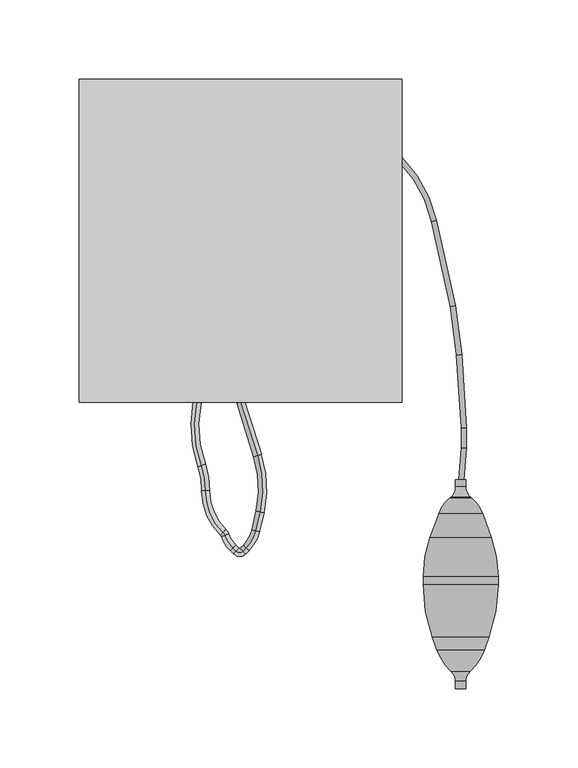
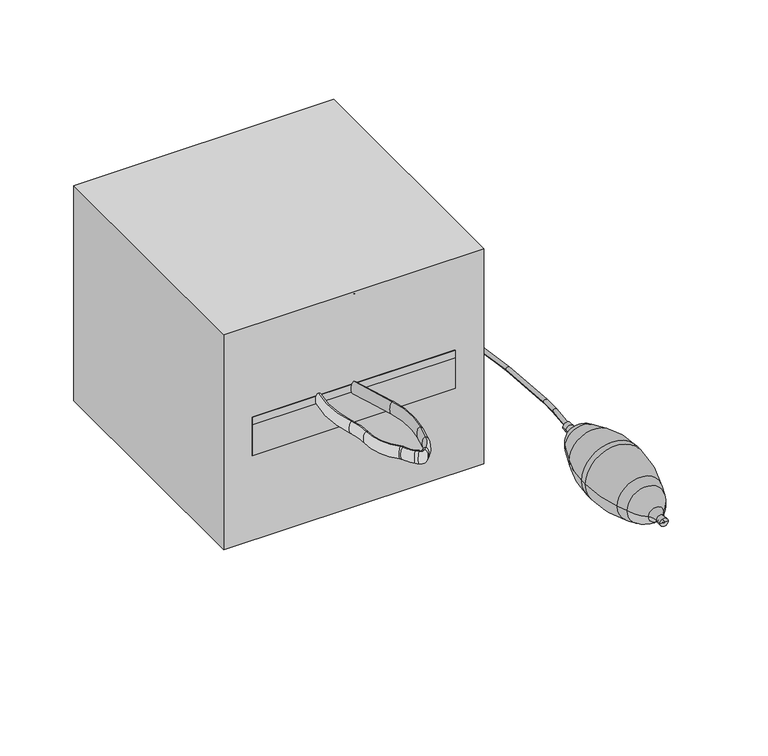
"""IFC4 building model written with IfcOpenShell, lengths in millimetres: proxy geometry."""

from ifc_helpers import new_model, si_unit, point, frame, frame_2d, origin, origin_with_axes, place, context, project, spatial, polyline, circle_curve, ellipse_curve, trimmed, segment, composite_curve, outline, extrude, source, transform, mapped, element, save
from ifc_brep_helpers import plane_surface, cylinder_surface, revolved_surface, extruded_surface, advanced_brep


def specialty_equipment_669b88e1(model_context):
    return source(origin(), model_context, "Body", "SolidModel", [
        advanced_brep(
        [(0.0, 0.0, 93.3890108), (0.0, 0.0, 103.4609892), (10.60129, -33.4899695, 93.3890108), (10.60129, -33.4899695, 103.4609892), (12.1452256, -68.8519095, 103.4609892), (12.1452256, -68.8519095, 93.3890108), (9.4902706, -80.7634297, 93.3890108), (9.4902706, -80.7634297, 103.4609892), (3.5257448, -91.6206606, 103.4609892), (3.5257448, -91.6206606, 93.3890108), (1.489236, -93.6571694, 93.3890108), (1.489236, -93.6571694, 103.4609892), (-2.7411458, -93.6571694, 103.4609892), (-2.7411458, -93.6571694, 93.3890108), (-4.6658712, -91.732444, 93.3890108), (-4.6658712, -91.732444, 103.4609892), (-9.7582734, -83.8141156, 103.4609892), (-9.7582734, -83.8141156, 93.3890108), (-10.9708227, -81.9675873, 103.4609892), (-10.9708227, -81.9675873, 93.3890108), (-21.9594666, -55.7504476, 103.4609892), (-21.9594666, -55.7504476, 93.3890108), (-24.5939327, -39.9510684, 103.4609892), (-24.5939327, -39.9510684, 93.3890108), (-27.3580457, -0.1117834, 93.3890108), (-27.3580457, -0.1117834, 103.4609892)],
        [
            (0, 1, ellipse_curve(frame((0.0, 0.0, 98.425), z_axis=(-0.30179165133573443, 0.9533739031377199, 0.0), x_axis=(0.0, 0.0, 1.0)), 5.0359892, 2.5179946)),
            (1, 0, ellipse_curve(frame((0.0, 0.0, 98.425), z_axis=(-0.30179165133573443, 0.9533739031377199, 0.0), x_axis=(0.0, 0.0, 1.0)), 5.0359892, 2.5179946)),
            (0, 2),
            (2, 3, ellipse_curve(frame((10.60129, -33.4899695, 98.425), z_axis=(-0.3017916513357344, 0.9533739031377201, 0.0), x_axis=(0.0, 0.0, 1.0)), 5.0359892, 2.5179946)),
            (3, 1),
            (3, 2, ellipse_curve(frame((10.60129, -33.4899695, 98.425), z_axis=(-0.3017916513357344, 0.9533739031377201, 0.0), x_axis=(0.0, 0.0, 1.0)), 5.0359892, 2.5179946)),
            (4, 3, circle_curve(frame((-54.3137244, -54.0388951, 103.4609892), z_axis=(0.0, 0.0, 1.0), x_axis=(0.9533739031377199, 0.3017916513357344, 0.0)), 68.0897748)),
            (2, 5, circle_curve(frame((-54.3137244, -54.0388951, 93.3890108), z_axis=(0.0, 0.0, -1.0), x_axis=(0.9533739031377199, 0.3017916513357344, 0.0)), 68.0897748)),
            (5, 4, ellipse_curve(frame((12.1452256, -68.8519095, 98.425), z_axis=(0.21755123234481044, 0.9760489031320381, 0.0), x_axis=(0.0, 0.0, 1.0)), 5.0359892, 2.5179946)),
            (4, 5, ellipse_curve(frame((12.1452256, -68.8519095, 98.425), z_axis=(0.21755123234481044, 0.9760489031320381, 0.0), x_axis=(0.0, 0.0, 1.0)), 5.0359892, 2.5179946)),
            (5, 6),
            (6, 7, ellipse_curve(frame((9.4902706, -80.7634297, 98.425), z_axis=(0.21755123234481058, 0.9760489031320381, 0.0), x_axis=(0.0, 0.0, 1.0)), 5.0359892, 2.5179946)),
            (7, 4),
            (7, 6, ellipse_curve(frame((9.4902706, -80.7634297, 98.425), z_axis=(0.21755123234481058, 0.9760489031320381, 0.0), x_axis=(0.0, 0.0, 1.0)), 5.0359892, 2.5179946)),
            (8, 7, circle_curve(frame((-12.1562786, -75.9386371, 103.4609892), z_axis=(0.0, 0.0, 1.0), x_axis=(0.9760489031320378, -0.21755123234481052, 0.0)), 22.1777302)),
            (6, 9, circle_curve(frame((-12.1562786, -75.9386371, 93.3890108), z_axis=(0.0, 0.0, -1.0), x_axis=(0.9760489031320378, -0.21755123234481052, 0.0)), 22.1777302)),
            (9, 8, ellipse_curve(frame((3.5257448, -91.6206606, 98.425), z_axis=(0.7071067811865477, 0.7071067811865474, 0.0), x_axis=(0.0, 0.0, 1.0)), 5.0359892, 2.5179946)),
            (8, 9, ellipse_curve(frame((3.5257448, -91.6206606, 98.425), z_axis=(0.7071067811865478, 0.7071067811865472, 0.0), x_axis=(0.0, 0.0, 1.0)), 5.0359892, 2.5179946)),
            (9, 10),
            (10, 11, ellipse_curve(frame((1.489236, -93.6571694, 98.425), z_axis=(0.7071067811865424, 0.7071067811865528, 0.0), x_axis=(0.0, 0.0, 1.0)), 5.0359892, 2.5179946)),
            (11, 8),
            (11, 10, ellipse_curve(frame((1.489236, -93.6571694, 98.425), z_axis=(0.7071067811865424, 0.7071067811865528, 0.0), x_axis=(0.0, 0.0, 1.0)), 5.0359892, 2.5179946)),
            (12, 11, circle_curve(frame((-0.6259549, -91.5419785, 103.4609892), z_axis=(0.0, 0.0, 1.0), x_axis=(0.7071067811865528, -0.7071067811865424, 0.0)), 2.9913317)),
            (10, 13, circle_curve(frame((-0.6259549, -91.5419785, 93.3890108), z_axis=(0.0, 0.0, -1.0), x_axis=(0.7071067811865528, -0.7071067811865424, 0.0)), 2.9913317)),
            (13, 12, ellipse_curve(frame((-2.7411458, -93.6571694, 98.425), z_axis=(0.707106781186544, -0.7071067811865511, 0.0), x_axis=(0.0, 0.0, 1.0)), 5.0359892, 2.5179946)),
            (12, 13, ellipse_curve(frame((-2.7411458, -93.6571694, 98.425), z_axis=(0.707106781186541, -0.7071067811865541, 0.0), x_axis=(0.0, 0.0, 1.0)), 5.0359892, 2.5179946)),
            (13, 14),
            (14, 15, ellipse_curve(frame((-4.6658712, -91.732444, 98.425), z_axis=(0.7071067811865435, -0.7071067811865516, 0.0), x_axis=(0.0, 0.0, 1.0)), 5.0359892, 2.5179946)),
            (15, 12),
            (15, 14, ellipse_curve(frame((-4.6658712, -91.732444, 98.425), z_axis=(0.7071067811865435, -0.7071067811865516, 0.0), x_axis=(0.0, 0.0, 1.0)), 5.0359892, 2.5179946)),
            (16, 15, circle_curve(frame((11.0161522, -76.0504205, 103.4609892), z_axis=(0.0, 0.0, 1.0), x_axis=(-0.7071067811865517, -0.7071067811865434, 0.0)), 22.1777302)),
            (14, 17, circle_curve(frame((11.0161522, -76.0504205, 93.3890108), z_axis=(0.0, 0.0, -1.0), x_axis=(-0.7071067811865517, -0.7071067811865434, 0.0)), 22.1777302)),
            (17, 16, ellipse_curve(frame((-9.7582734, -83.8141156, 98.425), z_axis=(0.35006716200403565, -0.9367246031179285, 0.0), x_axis=(0.0, 0.0, 1.0)), 5.0359892, 2.5179946)),
            (16, 17, ellipse_curve(frame((-9.7582734, -83.8141156, 98.425), z_axis=(0.3500671620040357, -0.9367246031179283, 0.0), x_axis=(0.0, 0.0, 1.0)), 5.0359892, 2.5179946)),
            (18, 16, circle_curve(frame((-14.4282922, -85.5593673, 103.4609892), z_axis=(0.0, 0.0, -1.0), x_axis=(0.9367246031179312, 0.3500671620040279, 0.0)), 4.9854768)),
            (17, 19, circle_curve(frame((-14.4282922, -85.5593673, 93.3890108), z_axis=(0.0, 0.0, 1.0), x_axis=(0.9367246031179312, 0.3500671620040279, 0.0)), 4.9854768)),
            (19, 18, ellipse_curve(frame((-10.9708227, -81.9675873, 98.425), z_axis=(0.7204486556395677, -0.6935082801143326, 0.0), x_axis=(0.0, 0.0, 1.0)), 5.0359892, 2.5179946)),
            (18, 19, ellipse_curve(frame((-10.9708227, -81.9675873, 98.425), z_axis=(0.7204486556395688, -0.6935082801143314, 0.0), x_axis=(0.0, 0.0, 1.0)), 5.0359892, 2.5179946)),
            (20, 18, circle_curve(frame((13.8981281, -56.1325645, 103.4609892), z_axis=(0.0, 0.0, 1.0), x_axis=(-0.6935082801143325, -0.7204486556395678, 0.0)), 35.8596307)),
            (19, 21, circle_curve(frame((13.8981281, -56.1325645, 93.3890108), z_axis=(0.0, 0.0, -1.0), x_axis=(-0.6935082801143325, -0.7204486556395678, 0.0)), 35.8596307)),
            (21, 20, ellipse_curve(frame((-21.9594666, -55.7504476, 98.425), z_axis=(-0.01065590823073842, -0.9999432241981433, 0.0), x_axis=(0.0, 0.0, 1.0)), 5.0359892, 2.5179946)),
            (20, 21, ellipse_curve(frame((-21.9594666, -55.7504476, 98.425), z_axis=(-0.010655908230738531, -0.9999432241981433, 0.0), x_axis=(0.0, 0.0, 1.0)), 5.0359892, 2.5179946)),
            (22, 20, circle_curve(frame((-67.7275968, -55.2627189, 103.4609892), z_axis=(0.0, 0.0, -1.0), x_axis=(0.9999432241981431, -0.010655908230754234, 0.0)), 45.7707289)),
            (21, 23, circle_curve(frame((-67.7275968, -55.2627189, 93.3890108), z_axis=(0.0, 0.0, 1.0), x_axis=(0.9999432241981431, -0.010655908230754234, 0.0)), 45.7707289)),
            (23, 22, ellipse_curve(frame((-24.5939327, -39.9510684, 98.425), z_axis=(0.33452931398523134, -0.9423853447950953, 0.0), x_axis=(0.0, 0.0, 1.0)), 5.0359892, 2.5179946)),
            (22, 23, ellipse_curve(frame((-24.5939327, -39.9510684, 98.425), z_axis=(0.33452931398523134, -0.9423853447950953, 0.0), x_axis=(0.0, 0.0, 1.0)), 5.0359892, 2.5179946)),
            (24, 25, ellipse_curve(frame((-27.3580457, -0.1117834, 98.425), z_axis=(0.20118211633304894, 0.9795538556239548, 0.0), x_axis=(0.0, 0.0, 1.0)), 5.0359892, 2.5179946)),
            (25, 24, ellipse_curve(frame((-27.3580457, -0.1117834, 98.425), z_axis=(0.20118211633304894, 0.9795538556239548, 0.0), x_axis=(0.0, 0.0, 1.0)), 5.0359892, 2.5179946)),
            (25, 22, circle_curve(frame((45.4884963, -15.0731063, 103.4609892), z_axis=(0.0, 0.0, 1.0), x_axis=(-0.9423853447950952, -0.33452931398523145, 0.0)), 74.3670617)),
            (23, 24, circle_curve(frame((45.4884963, -15.0731063, 93.3890108), z_axis=(0.0, 0.0, -1.0), x_axis=(-0.9423853447950952, -0.33452931398523145, 0.0)), 74.3670617)),
        ],
        [
            plane_surface(frame((0.0, 0.0, 98.425), z_axis=(-0.30179165133573443, 0.9533739031377199, 0.0), x_axis=(0.0, 0.0, 1.0))),
            extruded_surface(trimmed(ellipse_curve(frame((10.60129, -33.4899695, 98.425), z_axis=(-0.30179165133573443, 0.9533739031377199, 0.0), x_axis=(0.0, 0.0, 1.0)), 5.0359892, 2.5179946), [point((10.60129, -33.4899695, 93.3890108))], [point((10.60129, -33.4899695, 103.4609892))], True, "CARTESIAN"), (-10.60129, 33.4899695, 0.0), 35.1278437535672),
            extruded_surface(trimmed(ellipse_curve(frame((10.60129, -33.4899695, 98.425), z_axis=(-0.30179165133573443, 0.9533739031377199, 0.0), x_axis=(0.0, 0.0, 1.0)), 5.0359892, 2.5179946), [point((10.60129, -33.4899695, 103.4609892))], [point((10.60129, -33.4899695, 93.3890108))], True, "CARTESIAN"), (-10.60129, 33.4899695, 0.0), 35.1278437535672),
            revolved_surface(trimmed(ellipse_curve(frame((10.60129, -33.4899695, 98.425), z_axis=(-0.3017916513357343, 0.9533739031377199, 0.0), x_axis=(0.0, 0.0, 1.0)), 5.0359892, 2.5179946), [point((10.60129, -33.4899695, 93.3890108))], [point((10.60129, -33.4899695, 103.4609892))], True, "CARTESIAN"), (-54.3137244, -54.0388951, 98.425), (0.0, 0.0, -1.0)),
            revolved_surface(trimmed(ellipse_curve(frame((10.60129, -33.4899695, 98.425), z_axis=(-0.3017916513357343, 0.9533739031377199, 0.0), x_axis=(0.0, 0.0, 1.0)), 5.0359892, 2.5179946), [point((10.60129, -33.4899695, 103.4609892))], [point((10.60129, -33.4899695, 93.3890108))], True, "CARTESIAN"), (-54.3137244, -54.0388951, 98.425), (0.0, 0.0, -1.0)),
            extruded_surface(trimmed(ellipse_curve(frame((9.4902706, -80.7634297, 98.425), z_axis=(0.2175512323448103, 0.976048903132038, 0.0), x_axis=(0.0, 0.0, 1.0)), 5.0359892, 2.5179946), [point((9.4902706, -80.7634297, 93.3890108))], [point((9.4902706, -80.7634297, 103.4609892))], True, "CARTESIAN"), (2.6549549999999993, 11.911520199999998, 0.0), 12.203814957915126),
            extruded_surface(trimmed(ellipse_curve(frame((9.4902706, -80.7634297, 98.425), z_axis=(0.2175512323448103, 0.976048903132038, 0.0), x_axis=(0.0, 0.0, 1.0)), 5.0359892, 2.5179946), [point((9.4902706, -80.7634297, 103.4609892))], [point((9.4902706, -80.7634297, 93.3890108))], True, "CARTESIAN"), (2.6549549999999993, 11.911520199999998, 0.0), 12.203814957915126),
            revolved_surface(trimmed(ellipse_curve(frame((9.4902706, -80.7634297, 98.425), z_axis=(0.21755123234481052, 0.9760489031320378, 0.0), x_axis=(0.0, 0.0, 1.0)), 5.0359892, 2.5179946), [point((9.4902706, -80.7634297, 93.3890108))], [point((9.4902706, -80.7634297, 103.4609892))], True, "CARTESIAN"), (-12.1562786, -75.9386371, 98.425), (0.0, 0.0, -1.0)),
            revolved_surface(trimmed(ellipse_curve(frame((9.4902706, -80.7634297, 98.425), z_axis=(0.21755123234481052, 0.9760489031320378, 0.0), x_axis=(0.0, 0.0, 1.0)), 5.0359892, 2.5179946), [point((9.4902706, -80.7634297, 103.4609892))], [point((9.4902706, -80.7634297, 93.3890108))], True, "CARTESIAN"), (-12.1562786, -75.9386371, 98.425), (0.0, 0.0, -1.0)),
            extruded_surface(trimmed(ellipse_curve(frame((1.489236, -93.6571694, 98.425), z_axis=(0.707106781186548, 0.7071067811865471, 0.0), x_axis=(0.0, 0.0, 1.0)), 5.0359892, 2.5179946), [point((1.489236, -93.6571694, 93.3890108))], [point((1.489236, -93.6571694, 103.4609892))], True, "CARTESIAN"), (2.0365088, 2.036508800000007, 0.0), 2.8800583648521623),
            extruded_surface(trimmed(ellipse_curve(frame((1.489236, -93.6571694, 98.425), z_axis=(0.707106781186548, 0.7071067811865471, 0.0), x_axis=(0.0, 0.0, 1.0)), 5.0359892, 2.5179946), [point((1.489236, -93.6571694, 103.4609892))], [point((1.489236, -93.6571694, 93.3890108))], True, "CARTESIAN"), (2.0365088, 2.036508800000007, 0.0), 2.8800583648521623),
            revolved_surface(trimmed(ellipse_curve(frame((1.489236, -93.6571694, 98.425), z_axis=(0.7071067811865424, 0.7071067811865528, 0.0), x_axis=(0.0, 0.0, 1.0)), 5.0359892, 2.5179946), [point((1.489236, -93.6571694, 93.3890108))], [point((1.489236, -93.6571694, 103.4609892))], True, "CARTESIAN"), (-0.6259549, -91.5419785, 98.425), (0.0, 0.0, -1.0)),
            revolved_surface(trimmed(ellipse_curve(frame((1.489236, -93.6571694, 98.425), z_axis=(0.7071067811865424, 0.7071067811865528, 0.0), x_axis=(0.0, 0.0, 1.0)), 5.0359892, 2.5179946), [point((1.489236, -93.6571694, 103.4609892))], [point((1.489236, -93.6571694, 93.3890108))], True, "CARTESIAN"), (-0.6259549, -91.5419785, 98.425), (0.0, 0.0, -1.0)),
            extruded_surface(trimmed(ellipse_curve(frame((-4.6658712, -91.732444, 98.425), z_axis=(0.7071067811865421, -0.7071067811865531, 0.0), x_axis=(0.0, 0.0, 1.0)), 5.0359892, 2.5179946), [point((-4.6658712, -91.732444, 93.3890108))], [point((-4.6658712, -91.732444, 103.4609892))], True, "CARTESIAN"), (1.9247253999999998, -1.9247253999999998, 0.0), 2.72197276452398),
            extruded_surface(trimmed(ellipse_curve(frame((-4.6658712, -91.732444, 98.425), z_axis=(0.7071067811865421, -0.7071067811865531, 0.0), x_axis=(0.0, 0.0, 1.0)), 5.0359892, 2.5179946), [point((-4.6658712, -91.732444, 103.4609892))], [point((-4.6658712, -91.732444, 93.3890108))], True, "CARTESIAN"), (1.9247253999999998, -1.9247253999999998, 0.0), 2.72197276452398),
            revolved_surface(trimmed(ellipse_curve(frame((-4.6658712, -91.732444, 98.425), z_axis=(0.7071067811865435, -0.7071067811865516, 0.0), x_axis=(0.0, 0.0, 1.0)), 5.0359892, 2.5179946), [point((-4.6658712, -91.732444, 93.3890108))], [point((-4.6658712, -91.732444, 103.4609892))], True, "CARTESIAN"), (11.0161522, -76.0504205, 98.425), (0.0, 0.0, -1.0)),
            revolved_surface(trimmed(ellipse_curve(frame((-4.6658712, -91.732444, 98.425), z_axis=(0.7071067811865435, -0.7071067811865516, 0.0), x_axis=(0.0, 0.0, 1.0)), 5.0359892, 2.5179946), [point((-4.6658712, -91.732444, 103.4609892))], [point((-4.6658712, -91.732444, 93.3890108))], True, "CARTESIAN"), (11.0161522, -76.0504205, 98.425), (0.0, 0.0, -1.0)),
            revolved_surface(trimmed(ellipse_curve(frame((-9.7582734, -83.8141156, 98.425), z_axis=(0.3500671620040282, -0.936724603117931, 0.0), x_axis=(0.0, 0.0, 1.0)), 5.0359892, 2.5179946), [point((-9.7582734, -83.8141156, 93.3890108))], [point((-9.7582734, -83.8141156, 103.4609892))], True, "CARTESIAN"), (-14.4282922, -85.5593673, 98.425), (0.0, 0.0, 1.0)),
            revolved_surface(trimmed(ellipse_curve(frame((-9.7582734, -83.8141156, 98.425), z_axis=(0.3500671620040282, -0.936724603117931, 0.0), x_axis=(0.0, 0.0, 1.0)), 5.0359892, 2.5179946), [point((-9.7582734, -83.8141156, 103.4609892))], [point((-9.7582734, -83.8141156, 93.3890108))], True, "CARTESIAN"), (-14.4282922, -85.5593673, 98.425), (0.0, 0.0, 1.0)),
            revolved_surface(trimmed(ellipse_curve(frame((-10.9708227, -81.9675873, 98.425), z_axis=(0.720448655639568, -0.6935082801143324, 0.0), x_axis=(0.0, 0.0, 1.0)), 5.0359892, 2.5179946), [point((-10.9708227, -81.9675873, 93.3890108))], [point((-10.9708227, -81.9675873, 103.4609892))], True, "CARTESIAN"), (13.8981281, -56.1325645, 98.425), (0.0, 0.0, -1.0)),
            revolved_surface(trimmed(ellipse_curve(frame((-10.9708227, -81.9675873, 98.425), z_axis=(0.720448655639568, -0.6935082801143324, 0.0), x_axis=(0.0, 0.0, 1.0)), 5.0359892, 2.5179946), [point((-10.9708227, -81.9675873, 103.4609892))], [point((-10.9708227, -81.9675873, 93.3890108))], True, "CARTESIAN"), (13.8981281, -56.1325645, 98.425), (0.0, 0.0, -1.0)),
            revolved_surface(trimmed(ellipse_curve(frame((-21.9594666, -55.7504476, 98.425), z_axis=(-0.010655908230754184, -0.9999432241981431, 0.0), x_axis=(0.0, 0.0, 1.0)), 5.0359892, 2.5179946), [point((-21.9594666, -55.7504476, 93.3890108))], [point((-21.9594666, -55.7504476, 103.4609892))], True, "CARTESIAN"), (-67.7275968, -55.2627189, 98.425), (0.0, 0.0, 1.0)),
            revolved_surface(trimmed(ellipse_curve(frame((-21.9594666, -55.7504476, 98.425), z_axis=(-0.010655908230754184, -0.9999432241981431, 0.0), x_axis=(0.0, 0.0, 1.0)), 5.0359892, 2.5179946), [point((-21.9594666, -55.7504476, 103.4609892))], [point((-21.9594666, -55.7504476, 93.3890108))], True, "CARTESIAN"), (-67.7275968, -55.2627189, 98.425), (0.0, 0.0, 1.0)),
            plane_surface(frame((-27.3580457, -0.1117834, 98.425), z_axis=(0.20118211633304883, 0.9795538556239548, 0.0), x_axis=(0.0, 0.0, 1.0))),
            revolved_surface(trimmed(ellipse_curve(frame((-24.5939327, -39.9510684, 98.425), z_axis=(0.3345293139852317, -0.9423853447950951, 0.0), x_axis=(0.0, 0.0, 1.0)), 5.0359892, 2.5179946), [point((-24.5939327, -39.9510684, 93.3890108))], [point((-24.5939327, -39.9510684, 103.4609892))], True, "CARTESIAN"), (45.4884963, -15.0731063, 98.425), (0.0, 0.0, -1.0)),
            revolved_surface(trimmed(ellipse_curve(frame((-24.5939327, -39.9510684, 98.425), z_axis=(0.3345293139852317, -0.9423853447950951, 0.0), x_axis=(0.0, 0.0, 1.0)), 5.0359892, 2.5179946), [point((-24.5939327, -39.9510684, 103.4609892))], [point((-24.5939327, -39.9510684, 93.3890108))], True, "CARTESIAN"), (45.4884963, -15.0731063, 98.425), (0.0, 0.0, -1.0)),
        ],
        [
            (0, [[1, 2]]),
            (1, [[-1, 3, 4, 5]]),
            (2, [[-2, -5, 6, -3]]),
            (3, [[7, -4, 8, 9]]),
            (4, [[-8, -6, -7, 10]]),
            (5, [[-9, 11, 12, 13]]),
            (6, [[-10, -13, 14, -11]]),
            (7, [[15, -12, 16, 17]]),
            (8, [[-16, -14, -15, 18]]),
            (9, [[-17, 19, 20, 21]]),
            (10, [[-18, -21, 22, -19]]),
            (11, [[23, -20, 24, 25]]),
            (12, [[-24, -22, -23, 26]]),
            (13, [[-25, 27, 28, 29]]),
            (14, [[-26, -29, 30, -27]]),
            (15, [[31, -28, 32, 33]]),
            (16, [[-32, -30, -31, 34]]),
            (17, [[35, -33, 36, 37]]),
            (18, [[-36, -34, -35, 38]]),
            (19, [[39, -37, 40, 41]]),
            (20, [[-40, -38, -39, 42]]),
            (21, [[43, -41, 44, 45]]),
            (22, [[-44, -42, -43, 46]]),
            (23, [[47, 48]]),
            (24, [[49, -45, 50, -48]]),
            (25, [[-50, -46, -49, -47]]),
        ],
    ),
        advanced_brep(
        [(138.1282079, -48.8005767, 47.6946196), (139.110677, -48.8005767, 47.6946196), (141.8571136, -48.8005767, 47.6946196), (135.3817713, -48.8005767, 47.6946196), (138.1282079, -180.1855223, 47.6946196), (139.110677, -180.1855223, 47.6946196), (135.3817713, -180.1855223, 47.6946196), (141.8571136, -180.1855223, 47.6946196), (135.3817713, -175.5632852, 47.6946196), (141.8571136, -175.5632852, 47.6946196), (132.7169258, -169.4696535, 47.6946196), (144.5219592, -169.4696535, 47.6946196), (123.7575473, -155.9951928, 47.6946196), (153.4813376, -155.9951928, 47.6946196), (120.8482177, -148.0018755, 47.6946196), (156.3906672, -148.0018755, 47.6946196), (114.9866942, -114.7595239, 47.6946196), (162.2521907, -114.7595239, 47.6946196), (114.9866942, -109.7483973, 47.6946196), (162.2521907, -109.7483973, 47.6946196), (119.3165907, -85.1923341, 47.6946196), (157.9222942, -85.1923341, 47.6946196), (124.8056359, -70.1113063, 47.6946196), (152.433249, -70.1113063, 47.6946196), (131.6106524, -60.3927356, 47.6946196), (145.6282325, -60.3927356, 47.6946196), (132.2844617, -59.8273424, 47.6946196), (144.9544232, -59.8273424, 47.6946196), (135.3817713, -53.1851407, 47.6946196), (141.8571136, -53.1851407, 47.6946196)],
        [
            (0, 1, circle_curve(frame((138.6194425, -48.8005767, 47.6946196), z_axis=(0.0, -1.0, 0.0), x_axis=(1.0, 0.0, 0.0)), 0.4912345)),
            (1, 2),
            (2, 3, circle_curve(frame((138.6194425, -48.8005767, 47.6946196), z_axis=(0.0, 1.0, 0.0), x_axis=(1.0, 0.0, 0.0)), 3.2376712)),
            (3, 0),
            (1, 0, circle_curve(frame((138.6194425, -48.8005767, 47.6946196), z_axis=(0.0, -1.0, 0.0), x_axis=(1.0, 0.0, 0.0)), 0.4912345)),
            (3, 2, circle_curve(frame((138.6194425, -48.8005767, 47.6946196), z_axis=(0.0, 1.0, 0.0), x_axis=(1.0, 0.0, 0.0)), 3.2376712)),
            (4, 5, circle_curve(frame((138.6194425, -180.1855223, 47.6946196), z_axis=(0.0, -1.0, 0.0), x_axis=(1.0, 0.0, 0.0)), 0.4912345)),
            (5, 1),
            (0, 4),
            (5, 4, circle_curve(frame((138.6194425, -180.1855223, 47.6946196), z_axis=(0.0, -1.0, 0.0), x_axis=(1.0, 0.0, 0.0)), 0.4912345)),
            (6, 7, circle_curve(frame((138.6194425, -180.1855223, 47.6946196), z_axis=(0.0, -1.0, 0.0), x_axis=(1.0, 0.0, 0.0)), 3.2376712)),
            (7, 5),
            (4, 6),
            (7, 6, circle_curve(frame((138.6194425, -180.1855223, 47.6946196), z_axis=(0.0, -1.0, 0.0), x_axis=(1.0, 0.0, 0.0)), 3.2376712)),
            (8, 9, circle_curve(frame((138.6194425, -175.5632852, 47.6946196), z_axis=(0.0, -1.0, 0.0), x_axis=(1.0, 0.0, 0.0)), 3.2376712)),
            (9, 7),
            (6, 8),
            (9, 8, circle_curve(frame((138.6194425, -175.5632852, 47.6946196), z_axis=(0.0, -1.0, 0.0), x_axis=(1.0, 0.0, 0.0)), 3.2376712)),
            (10, 11, circle_curve(frame((138.6194425, -169.4696535, 47.6946196), z_axis=(0.0, -1.0, 0.0), x_axis=(1.0, 0.0, 0.0)), 5.9025167)),
            (11, 9, circle_curve(frame((150.1566096, -175.5632852, 47.6946196), z_axis=(0.0, 0.0, 1.0), x_axis=(1.0, 0.0, 0.0)), 8.299496)),
            (8, 10, circle_curve(frame((127.0822753, -175.5632852, 47.6946196), z_axis=(0.0, 0.0, 1.0), x_axis=(-1.0, 0.0, 0.0)), 8.299496)),
            (11, 10, circle_curve(frame((138.6194425, -169.4696535, 47.6946196), z_axis=(0.0, -1.0, 0.0), x_axis=(1.0, 0.0, 0.0)), 5.9025167)),
            (12, 13, circle_curve(frame((138.6194425, -155.9951928, 47.6946196), z_axis=(0.0, -1.0, 0.0), x_axis=(1.0, 0.0, 0.0)), 14.8618952)),
            (13, 11, circle_curve(frame((121.1969167, -144.2446246, 47.6946196), z_axis=(0.0, 0.0, -1.0), x_axis=(1.0, 0.0, 0.0)), 34.3563632)),
            (10, 12, circle_curve(frame((156.0419683, -144.2446246, 47.6946196), z_axis=(0.0, 0.0, -1.0), x_axis=(-1.0, 0.0, 0.0)), 34.3563632)),
            (13, 12, circle_curve(frame((138.6194425, -155.9951928, 47.6946196), z_axis=(0.0, -1.0, 0.0), x_axis=(1.0, 0.0, 0.0)), 14.8618952)),
            (14, 15, circle_curve(frame((138.6194425, -148.0018755, 47.6946196), z_axis=(0.0, -1.0, 0.0), x_axis=(1.0, 0.0, 0.0)), 17.7712248)),
            (15, 13),
            (12, 14),
            (15, 14, circle_curve(frame((138.6194425, -148.0018755, 47.6946196), z_axis=(0.0, -1.0, 0.0), x_axis=(1.0, 0.0, 0.0)), 17.7712248)),
            (16, 17, circle_curve(frame((138.6194425, -114.7595239, 47.6946196), z_axis=(0.0, -1.0, 0.0), x_axis=(1.0, 0.0, 0.0)), 23.6327482)),
            (17, 15, circle_curve(frame((65.058057, -114.7595239, 47.6946196), z_axis=(0.0, 0.0, -1.0), x_axis=(1.0, 0.0, 0.0)), 97.1941337)),
            (14, 16, circle_curve(frame((212.1808279, -114.7595239, 47.6946196), z_axis=(0.0, 0.0, -1.0), x_axis=(-1.0, 0.0, 0.0)), 97.1941337)),
            (17, 16, circle_curve(frame((138.6194425, -114.7595239, 47.6946196), z_axis=(0.0, -1.0, 0.0), x_axis=(1.0, 0.0, 0.0)), 23.6327482)),
            (18, 19, circle_curve(frame((138.6194425, -109.7483973, 47.6946196), z_axis=(0.0, -1.0, 0.0), x_axis=(1.0, 0.0, 0.0)), 23.6327482)),
            (19, 17),
            (16, 18),
            (19, 18, circle_curve(frame((138.6194425, -109.7483973, 47.6946196), z_axis=(0.0, -1.0, 0.0), x_axis=(1.0, 0.0, 0.0)), 23.6327482)),
            (20, 21, circle_curve(frame((138.6194425, -85.1923341, 47.6946196), z_axis=(0.0, -1.0, 0.0), x_axis=(1.0, 0.0, 0.0)), 19.3028518)),
            (21, 19, circle_curve(frame((90.4550652, -109.7483973, 47.6946196), z_axis=(0.0, 0.0, -1.0), x_axis=(1.0, 0.0, 0.0)), 71.7971255)),
            (18, 20, circle_curve(frame((186.7838197, -109.7483973, 47.6946196), z_axis=(0.0, 0.0, -1.0), x_axis=(-1.0, 0.0, 0.0)), 71.7971255)),
            (21, 20, circle_curve(frame((138.6194425, -85.1923341, 47.6946196), z_axis=(0.0, -1.0, 0.0), x_axis=(1.0, 0.0, 0.0)), 19.3028518)),
            (22, 23, circle_curve(frame((138.6194425, -70.1113063, 47.6946196), z_axis=(0.0, -1.0, 0.0), x_axis=(1.0, 0.0, 0.0)), 13.8138065)),
            (23, 21),
            (20, 22),
            (23, 22, circle_curve(frame((138.6194425, -70.1113063, 47.6946196), z_axis=(0.0, -1.0, 0.0), x_axis=(1.0, 0.0, 0.0)), 13.8138065)),
            (24, 25, circle_curve(frame((138.6194425, -60.3927356, 47.6946196), z_axis=(0.0, -1.0, 0.0), x_axis=(1.0, 0.0, 0.0)), 7.00879)),
            (25, 23, circle_curve(frame((130.8956408, -77.9503546, 47.6946196), z_axis=(0.0, 0.0, -1.0), x_axis=(1.0, 0.0, 0.0)), 22.9198439)),
            (22, 24, circle_curve(frame((146.3432441, -77.9503546, 47.6946196), z_axis=(0.0, 0.0, -1.0), x_axis=(-1.0, 0.0, 0.0)), 22.9198439)),
            (25, 24, circle_curve(frame((138.6194425, -60.3927356, 47.6946196), z_axis=(0.0, -1.0, 0.0), x_axis=(1.0, 0.0, 0.0)), 7.00879)),
            (26, 27, circle_curve(frame((138.6194425, -59.8273424, 47.6946196), z_axis=(0.0, -1.0, 0.0), x_axis=(1.0, 0.0, 0.0)), 6.3349807)),
            (27, 25),
            (24, 26),
            (27, 26, circle_curve(frame((138.6194425, -59.8273424, 47.6946196), z_axis=(0.0, -1.0, 0.0), x_axis=(1.0, 0.0, 0.0)), 6.3349807)),
            (28, 29, circle_curve(frame((138.6194425, -53.1851407, 47.6946196), z_axis=(0.0, -1.0, 0.0), x_axis=(1.0, 0.0, 0.0)), 3.2376712)),
            (29, 27, circle_curve(frame((150.5278923, -53.1851407, 47.6946196), z_axis=(0.0, 0.0, 1.0), x_axis=(1.0, 0.0, 0.0)), 8.6707786)),
            (26, 28, circle_curve(frame((126.7109927, -53.1851407, 47.6946196), z_axis=(0.0, 0.0, 1.0), x_axis=(-1.0, 0.0, 0.0)), 8.6707786)),
            (29, 28, circle_curve(frame((138.6194425, -53.1851407, 47.6946196), z_axis=(0.0, -1.0, 0.0), x_axis=(1.0, 0.0, 0.0)), 3.2376712)),
            (2, 29),
            (28, 3),
        ],
        [
            plane_surface(frame((138.6194425, -48.8005767, 47.6946196), z_axis=(0.0, 1.0, 0.0), x_axis=(1.0, 0.0, 0.0))),
            revolved_surface(polyline([(139.11067699999998, -48.8005767, 47.6946196), (139.11067699999998, -180.1855223, 47.6946196)]), (138.6194425, -48.8005767, 47.6946196), (0.0, 1.0, 0.0)),
            plane_surface(frame((138.6194425, -180.1855223, 47.6946196), z_axis=(0.0, -1.0, 0.0), x_axis=(1.0, 0.0, 0.0))),
            cylinder_surface(frame((138.6194425, -48.8005767, 47.6946196), z_axis=(0.0, 1.0, 0.0), x_axis=(1.0, 0.0, 0.0)), 3.2376712),
            revolved_surface(trimmed(ellipse_curve(frame((150.1566096, -175.5632852, 47.6946196), z_axis=(0.0, 0.0, -1.0), x_axis=(1.0, 0.0, 0.0)), 8.299496, 8.299496), [point((141.8571136, -175.5632852, 47.6946196))], [point((144.5219592, -169.4696535, 47.6946196))], True, "CARTESIAN"), (138.6194425, -48.8005767, 47.6946196), (0.0, 1.0, 0.0)),
            revolved_surface(trimmed(ellipse_curve(frame((121.1969167, -144.2446246, 47.6946196), z_axis=(0.0, 0.0, 1.0), x_axis=(1.0, 0.0, 0.0)), 34.3563632, 34.3563632), [point((144.5219592, -169.4696535, 47.6946196))], [point((153.4813376, -155.9951928, 47.6946196))], True, "CARTESIAN"), (138.6194425, -48.8005767, 47.6946196), (0.0, 1.0, 0.0)),
            revolved_surface(polyline([(153.4813376, -155.9951928, 47.6946196), (156.3906672, -148.0018755, 47.6946196)]), (138.6194425, -48.8005767, 47.6946196), (0.0, 1.0, 0.0)),
            revolved_surface(trimmed(ellipse_curve(frame((65.058057, -114.7595239, 47.6946196), z_axis=(0.0, 0.0, 1.0), x_axis=(1.0, 0.0, 0.0)), 97.1941337, 97.1941337), [point((156.3906672, -148.0018755, 47.6946196))], [point((162.2521907, -114.7595239, 47.6946196))], True, "CARTESIAN"), (138.6194425, -48.8005767, 47.6946196), (0.0, 1.0, 0.0)),
            cylinder_surface(frame((138.6194425, -48.8005767, 47.6946196), z_axis=(0.0, 1.0, 0.0), x_axis=(1.0, 0.0, 0.0)), 23.6327482),
            revolved_surface(trimmed(ellipse_curve(frame((90.4550652, -109.7483973, 47.6946196), z_axis=(0.0, 0.0, 1.0), x_axis=(1.0, 0.0, 0.0)), 71.7971255, 71.7971255), [point((162.2521907, -109.7483973, 47.6946196))], [point((157.9222942, -85.1923341, 47.6946196))], True, "CARTESIAN"), (138.6194425, -48.8005767, 47.6946196), (0.0, 1.0, 0.0)),
            revolved_surface(polyline([(157.9222942, -85.1923341, 47.6946196), (152.433249, -70.1113063, 47.6946196)]), (138.6194425, -48.8005767, 47.6946196), (0.0, 1.0, 0.0)),
            revolved_surface(trimmed(ellipse_curve(frame((130.8956408, -77.9503546, 47.6946196), z_axis=(0.0, 0.0, 1.0), x_axis=(1.0, 0.0, 0.0)), 22.9198439, 22.9198439), [point((152.433249, -70.1113063, 47.6946196))], [point((145.6282325, -60.3927356, 47.6946196))], True, "CARTESIAN"), (138.6194425, -48.8005767, 47.6946196), (0.0, 1.0, 0.0)),
            revolved_surface(polyline([(145.6282325, -60.3927356, 47.6946196), (144.9544232, -59.8273424, 47.6946196)]), (138.6194425, -48.8005767, 47.6946196), (0.0, 1.0, 0.0)),
            revolved_surface(trimmed(ellipse_curve(frame((150.5278923, -53.1851407, 47.6946196), z_axis=(0.0, 0.0, -1.0), x_axis=(1.0, 0.0, 0.0)), 8.6707786, 8.6707786), [point((144.9544232, -59.8273424, 47.6946196))], [point((141.8571136, -53.1851407, 47.6946196))], True, "CARTESIAN"), (138.6194425, -48.8005767, 47.6946196), (0.0, 1.0, 0.0)),
        ],
        [
            (0, [[1, 2, 3, 4]]),
            (0, [[5, -4, 6, -2]]),
            (1, [[7, 8, -1, 9]]),
            (1, [[10, -9, -5, -8]]),
            (2, [[11, 12, -7, 13]]),
            (2, [[14, -13, -10, -12]]),
            (3, [[15, 16, -11, 17]]),
            (3, [[18, -17, -14, -16]]),
            (4, [[19, 20, -15, 21]]),
            (4, [[22, -21, -18, -20]]),
            (5, [[23, 24, -19, 25]]),
            (5, [[26, -25, -22, -24]]),
            (6, [[27, 28, -23, 29]]),
            (6, [[30, -29, -26, -28]]),
            (7, [[31, 32, -27, 33]]),
            (7, [[34, -33, -30, -32]]),
            (8, [[35, 36, -31, 37]]),
            (8, [[38, -37, -34, -36]]),
            (9, [[39, 40, -35, 41]]),
            (9, [[42, -41, -38, -40]]),
            (10, [[43, 44, -39, 45]]),
            (10, [[46, -45, -42, -44]]),
            (11, [[47, 48, -43, 49]]),
            (11, [[50, -49, -46, -48]]),
            (12, [[51, 52, -47, 53]]),
            (12, [[54, -53, -50, -52]]),
            (13, [[55, 56, -51, 57]]),
            (13, [[58, -57, -54, -56]]),
            (3, [[-3, 59, -55, 60]]),
            (3, [[-6, -60, -58, -59]]),
        ],
    ),
        extrude(outline(composite_curve([segment(polyline([(60.0140495, 56.9161892), (60.0140495, -51.3523862)]), True, "CONTINUOUS"), segment(trimmed(circle_curve(frame_2d((49.7730325, -51.3523862)), 10.2410171), [point((60.0140495, -51.3523862))], [point((49.7730325, -61.5934033))], False, "CARTESIAN"), True, "CONTINUOUS"), segment(polyline([(49.7730325, -61.5934033), (47.625, -61.5934033)]), True, "CONTINUOUS"), segment(trimmed(circle_curve(frame_2d((47.625, -55.2434033)), 6.35), [point((47.625, -61.5934033))], [point((41.275, -55.2434033))], False, "CARTESIAN"), True, "CONTINUOUS"), segment(polyline([(41.275, -55.2434033), (41.275, 56.9161892)]), True, "CONTINUOUS"), segment(trimmed(circle_curve(frame_2d((47.625, 56.9161892)), 6.35), [point((41.275, 56.9161892))], [point((47.625, 63.2661892))], False, "CARTESIAN"), True, "CONTINUOUS"), segment(polyline([(47.625, 63.2661892), (53.6640495, 63.2661892)]), True, "CONTINUOUS"), segment(trimmed(circle_curve(frame_2d((53.6640495, 56.9161892)), 6.35), [point((53.6640495, 63.2661892))], [point((60.0140495, 56.9161892))], False, "CARTESIAN"), True, "CONTINUOUS")], self_intersect=False)), frame((0.0, 134.8257556, 0.0), z_axis=(0.0, 1.0, 0.0), x_axis=(0.0, 0.0, 1.0)), (0.0, 0.0, 1.0), 49.3242444),
        extrude(outline(polyline([(1.4455759, 86.4782162), (0.3248118, 26.9185099), (-0.7959523, 86.4782162), (1.4455759, 86.4782162)])), frame((0.0, 0.0, 98.425), z_axis=(0.0, 0.0, 1.0), x_axis=(1.0, 0.0, 0.0)), (0.0, 0.0, 1.0), 1.5875),
        advanced_brep(
        [(64.1302409, 157.2064783, 47.6946196), (63.006649, 160.2935217, 47.6946196), (79.4200216, 162.7715033, 47.6946196), (78.2964296, 165.8585468, 47.6946196), (93.3436181, 162.5226654, 47.6946196), (91.020657, 160.1997043, 47.6946196), (99.4638922, 151.7564691, 47.6946196), (101.7868533, 154.0794302, 47.6946196), (123.3936687, 114.6421744, 47.6946196), (120.1855696, 113.9347877, 47.6946196), (132.0133902, 60.2939371, 47.6946196), (135.2214894, 61.0013237, 47.6946196), (135.9885723, 29.7831085, 47.6946196), (139.2461165, 30.2081991, 47.6946196), (142.2495065, -16.0179543, 47.6946196), (138.9643435, -16.0179543, 47.6946196), (138.9643435, -28.7184587, 47.6946196), (142.2495065, -28.7184587, 47.6946196), (137.4726358, -48.678532, 47.6946196), (140.7487182, -48.9226214, 47.6946196)],
        [
            (0, 1, circle_curve(frame((63.568445, 158.75, 47.6946196), z_axis=(-0.9396926207859115, -0.3420201433256602, 0.0), x_axis=(-0.3420201433256602, 0.9396926207859115, 0.0)), 1.6425815)),
            (1, 0, circle_curve(frame((63.568445, 158.75, 47.6946196), z_axis=(-0.9396926207859115, -0.3420201433256602, 0.0), x_axis=(-0.3420201433256602, 0.9396926207859115, 0.0)), 1.6425815)),
            (0, 2),
            (2, 3, circle_curve(frame((78.8582256, 164.315025, 47.6946196), z_axis=(-0.9396926207859115, -0.3420201433256602, 0.0), x_axis=(-0.3420201433256602, 0.9396926207859115, 0.0)), 1.6425815)),
            (3, 1),
            (3, 2, circle_curve(frame((78.8582256, 164.315025, 47.6946196), z_axis=(-0.9396926207859115, -0.3420201433256602, 0.0), x_axis=(-0.3420201433256602, 0.9396926207859115, 0.0)), 1.6425815)),
            (4, 3, circle_curve(frame((83.2018814, 152.3809287, 47.6946196), z_axis=(0.0, 0.0, 1.0), x_axis=(-0.34202014332565955, 0.9396926207859118, 0.0)), 14.3425815)),
            (2, 5, circle_curve(frame((83.2018814, 152.3809287, 47.6946196), z_axis=(0.0, 0.0, -1.0), x_axis=(-0.34202014332565955, 0.9396926207859118, 0.0)), 11.0574185)),
            (5, 4, circle_curve(frame((92.1821375, 161.3611849, 47.6946196), z_axis=(-0.707106781186547, 0.7071067811865481, 0.0), x_axis=(0.7071067811865481, 0.707106781186547, 0.0)), 1.6425815)),
            (4, 5, circle_curve(frame((92.1821375, 161.3611849, 47.6946196), z_axis=(-0.7071067811865444, 0.7071067811865509, 0.0), x_axis=(0.7071067811865509, 0.7071067811865444, 0.0)), 1.6425815)),
            (5, 6),
            (6, 7, circle_curve(frame((100.6253728, 152.9179497, 47.6946196), z_axis=(-0.7071067811865462, 0.7071067811865489, 0.0), x_axis=(0.7071067811865489, 0.7071067811865462, 0.0)), 1.6425815)),
            (7, 4),
            (7, 6, circle_curve(frame((100.6253728, 152.9179497, 47.6946196), z_axis=(-0.7071067811865462, 0.7071067811865489, 0.0), x_axis=(0.7071067811865489, 0.7071067811865462, 0.0)), 1.6425815)),
            (8, 7, circle_curve(frame((45.0818146, 97.3743915, 47.6946196), z_axis=(0.0, 0.0, 1.0), x_axis=(0.7071067811865481, 0.7071067811865469, 0.0)), 80.1930348)),
            (6, 9, circle_curve(frame((45.0818146, 97.3743915, 47.6946196), z_axis=(0.0, 0.0, -1.0), x_axis=(0.7071067811865481, 0.7071067811865469, 0.0)), 76.9078718)),
            (9, 8, circle_curve(frame((121.7896192, 114.2884811, 47.6946196), z_axis=(-0.21532771486204533, 0.9765418450902601, 0.0), x_axis=(0.9765418450902601, 0.21532771486204533, 0.0)), 1.6425815)),
            (8, 9, circle_curve(frame((121.7896192, 114.2884811, 47.6946196), z_axis=(-0.2153277148620455, 0.9765418450902601, 0.0), x_axis=(0.9765418450902601, 0.2153277148620455, 0.0)), 1.6425815)),
            (9, 10),
            (10, 11, circle_curve(frame((133.6174398, 60.6476304, 47.6946196), z_axis=(-0.21532771486204536, 0.9765418450902602, 0.0), x_axis=(0.9765418450902602, 0.21532771486204536, 0.0)), 1.6425815)),
            (11, 8),
            (11, 10, circle_curve(frame((133.6174398, 60.6476304, 47.6946196), z_axis=(-0.21532771486204536, 0.9765418450902602, 0.0), x_axis=(0.9765418450902602, 0.21532771486204536, 0.0)), 1.6425815)),
            (10, 12),
            (12, 13, circle_curve(frame((137.6173444, 29.9956538, 47.6946196), z_axis=(-0.1293970980647746, 0.9915928554666049, 0.0), x_axis=(0.9915928554666049, 0.1293970980647746, 0.0)), 1.6425815)),
            (13, 11),
            (13, 12, circle_curve(frame((137.6173444, 29.9956538, 47.6946196), z_axis=(-0.1293970980647746, 0.9915928554666049, 0.0), x_axis=(0.9915928554666049, 0.1293970980647746, 0.0)), 1.6425815)),
            (14, 13, circle_curve(frame((-214.993075, -16.0179543, 47.6946196), z_axis=(0.0, 0.0, 1.0), x_axis=(0.9915928554666049, 0.12939709806477429, 0.0)), 357.2425815)),
            (12, 15, circle_curve(frame((-214.993075, -16.0179543, 47.6946196), z_axis=(0.0, 0.0, -1.0), x_axis=(0.9915928554666049, 0.12939709806477429, 0.0)), 353.9574185)),
            (15, 14, circle_curve(frame((140.606925, -16.0179543, 47.6946196), z_axis=(0.0, 1.0, 0.0), x_axis=(1.0, 0.0, 0.0)), 1.6425815)),
            (14, 15, circle_curve(frame((140.606925, -16.0179543, 47.6946196), z_axis=(0.0, 1.0, 0.0), x_axis=(1.0, 0.0, 0.0)), 1.6425815)),
            (15, 16),
            (16, 17, circle_curve(frame((140.606925, -28.7184587, 47.6946196), z_axis=(0.0, 1.0, 0.0), x_axis=(1.0, 0.0, 0.0)), 1.6425815)),
            (17, 14),
            (17, 16, circle_curve(frame((140.606925, -28.7184587, 47.6946196), z_axis=(0.0, 1.0, 0.0), x_axis=(1.0, 0.0, 0.0)), 1.6425815)),
            (18, 19, circle_curve(frame((139.110677, -48.8005767, 47.6946196), z_axis=(-0.07430053978067933, -0.9972358947552479, 0.0), x_axis=(0.9972358947552479, -0.07430053978067933, 0.0)), 1.6425815)),
            (19, 18, circle_curve(frame((139.110677, -48.8005767, 47.6946196), z_axis=(-0.07430053978067933, -0.9972358947552479, 0.0), x_axis=(0.9972358947552479, -0.07430053978067933, 0.0)), 1.6425815)),
            (16, 18),
            (19, 17),
        ],
        [
            plane_surface(frame((63.568445, 158.75, 98.425), z_axis=(-0.9396926207859115, -0.3420201433256602, 0.0), x_axis=(0.0, 0.0, 1.0))),
            cylinder_surface(frame((63.568445, 158.75, 47.6946196), z_axis=(-0.9396926207859115, -0.3420201433256602, 0.0), x_axis=(-0.3420201433256602, 0.9396926207859115, 0.0)), 1.6425815),
            revolved_surface(trimmed(ellipse_curve(frame((78.8582256, 164.315025, 47.6946196), z_axis=(-0.9396926207859118, -0.3420201433256596, 0.0), x_axis=(-0.3420201433256596, 0.9396926207859118, 0.0)), 1.6425815, 1.6425815), [point((79.4200216, 162.7715033, 47.6946196))], [point((78.2964296, 165.8585468, 47.6946196))], True, "CARTESIAN"), (83.2018814, 152.3809287, 98.425), (0.0, 0.0, -1.0)),
            revolved_surface(trimmed(ellipse_curve(frame((78.8582256, 164.315025, 47.6946196), z_axis=(-0.9396926207859118, -0.3420201433256596, 0.0), x_axis=(-0.3420201433256596, 0.9396926207859118, 0.0)), 1.6425815, 1.6425815), [point((78.2964296, 165.8585468, 47.6946196))], [point((79.4200216, 162.7715033, 47.6946196))], True, "CARTESIAN"), (83.2018814, 152.3809287, 98.425), (0.0, 0.0, -1.0)),
            cylinder_surface(frame((92.1821375, 161.3611849, 47.6946196), z_axis=(-0.7071067811865462, 0.7071067811865489, 0.0), x_axis=(0.7071067811865489, 0.7071067811865462, 0.0)), 1.6425815),
            revolved_surface(trimmed(ellipse_curve(frame((100.6253728, 152.9179497, 47.6946196), z_axis=(-0.707106781186547, 0.707106781186548, 0.0), x_axis=(0.707106781186548, 0.707106781186547, 0.0)), 1.6425815, 1.6425815), [point((99.4638922, 151.7564691, 47.6946196))], [point((101.7868533, 154.0794302, 47.6946196))], True, "CARTESIAN"), (45.0818146, 97.3743915, 98.425), (0.0, 0.0, -1.0)),
            revolved_surface(trimmed(ellipse_curve(frame((100.6253728, 152.9179497, 47.6946196), z_axis=(-0.707106781186547, 0.707106781186548, 0.0), x_axis=(0.707106781186548, 0.707106781186547, 0.0)), 1.6425815, 1.6425815), [point((101.7868533, 154.0794302, 47.6946196))], [point((99.4638922, 151.7564691, 47.6946196))], True, "CARTESIAN"), (45.0818146, 97.3743915, 98.425), (0.0, 0.0, -1.0)),
            cylinder_surface(frame((121.7896192, 114.2884811, 47.6946196), z_axis=(-0.21532771486204536, 0.9765418450902602, 0.0), x_axis=(0.9765418450902602, 0.21532771486204536, 0.0)), 1.6425815),
            cylinder_surface(frame((133.6174398, 60.6476304, 47.6946196), z_axis=(-0.1293970980647746, 0.9915928554666049, 0.0), x_axis=(0.9915928554666049, 0.1293970980647746, 0.0)), 1.6425815),
            revolved_surface(trimmed(ellipse_curve(frame((137.6173444, 29.9956538, 47.6946196), z_axis=(-0.12939709806477456, 0.9915928554666049, 0.0), x_axis=(0.9915928554666049, 0.12939709806477456, 0.0)), 1.6425815, 1.6425815), [point((135.9885723, 29.7831085, 47.6946196))], [point((139.2461165, 30.2081991, 47.6946196))], True, "CARTESIAN"), (-214.993075, -16.0179543, 98.425), (0.0, 0.0, -1.0)),
            revolved_surface(trimmed(ellipse_curve(frame((137.6173444, 29.9956538, 47.6946196), z_axis=(-0.12939709806477456, 0.9915928554666049, 0.0), x_axis=(0.9915928554666049, 0.12939709806477456, 0.0)), 1.6425815, 1.6425815), [point((139.2461165, 30.2081991, 47.6946196))], [point((135.9885723, 29.7831085, 47.6946196))], True, "CARTESIAN"), (-214.993075, -16.0179543, 98.425), (0.0, 0.0, -1.0)),
            cylinder_surface(frame((140.606925, -16.0179543, 47.6946196), z_axis=(0.0, 1.0, 0.0), x_axis=(1.0, 0.0, 0.0)), 1.6425815),
            plane_surface(frame((139.110677, -48.8005767, 98.425), z_axis=(-0.0743005397806795, -0.9972358947552479, 0.0), x_axis=(0.0, 0.0, 1.0))),
            cylinder_surface(frame((140.606925, -28.7184587, 47.6946196), z_axis=(0.07430053978067933, 0.9972358947552479, 0.0), x_axis=(0.9972358947552479, -0.07430053978067933, 0.0)), 1.6425815),
        ],
        [
            (0, [[1, 2]]),
            (1, [[-1, 3, 4, 5]]),
            (1, [[-2, -5, 6, -3]]),
            (2, [[7, -4, 8, 9]]),
            (3, [[-8, -6, -7, 10]]),
            (4, [[-9, 11, 12, 13]]),
            (4, [[-10, -13, 14, -11]]),
            (5, [[15, -12, 16, 17]]),
            (6, [[-16, -14, -15, 18]]),
            (7, [[-17, 19, 20, 21]]),
            (7, [[-18, -21, 22, -19]]),
            (8, [[-20, 23, 24, 25]]),
            (8, [[-22, -25, 26, -23]]),
            (9, [[27, -24, 28, 29]]),
            (10, [[-28, -26, -27, 30]]),
            (11, [[-29, 31, 32, 33]]),
            (11, [[-30, -33, 34, -31]]),
            (12, [[35, 36]]),
            (13, [[-32, 37, -36, 38]]),
            (13, [[-34, -38, -35, -37]]),
        ],
    ),
        extrude(outline(composite_curve([segment(polyline([(120.2221073, 29.9389159), (130.175, 12.7), (80.7091396, 12.7), (80.7091396, 32.5520308)]), True, "CONTINUOUS"), segment(trimmed(circle_curve(frame_2d((38.3859034, 32.5520308)), 42.3232361), [point((80.7091396, 32.5520308))], [point((78.1567361, 47.0274301))], True, "CARTESIAN"), True, "CONTINUOUS"), segment(polyline([(78.1567361, 47.0274301), (69.85, 69.85), (125.0930617, 69.85), (118.3509599, 51.3262276)]), True, "CONTINUOUS"), segment(trimmed(circle_curve(frame_2d((142.2191525, 42.6389159)), 25.4), [point((118.3509599, 51.3262276))], [point((120.2221073, 29.9389159))], True, "CARTESIAN"), True, "CONTINUOUS")], self_intersect=False)), frame((-19.05, 0.0, 0.0), z_axis=(1.0, 0.0, 0.0), x_axis=(0.0, 1.0, 0.0)), (0.0, 0.0, 1.0), 38.1),
        extrude(outline(polyline([(44.45, 142.875), (44.45, 53.975), (-44.45, 53.975), (-44.45, 142.875), (44.45, 142.875)])), origin_with_axes(), (0.0, 0.0, 1.0), 12.7),
        extrude(outline(polyline([(79.375, 158.75), (79.375, 0.0), (-79.375, 0.0), (-79.375, 158.75), (79.375, 158.75)]), holes=[polyline([(76.2, 155.575), (-76.2, 155.575), (-76.2, 3.175), (76.2, 3.175), (76.2, 155.575)])]), frame((0.0, 0.0, 95.25), z_axis=(0.0, 0.0, 1.0), x_axis=(1.0, 0.0, 0.0)), (0.0, 0.0, 1.0), 6.35),
        extrude(outline(polyline([(79.375, 0.0), (-79.375, 0.0), (-79.375, 158.75), (79.375, 158.75), (79.375, 0.0)])), frame((0.0, 0.0, 69.85), z_axis=(0.0, 0.0, 1.0), x_axis=(1.0, 0.0, 0.0)), (0.0, 0.0, 1.0), 25.4),
        extrude(outline(polyline([(101.6, 203.2), (101.6, 0.0), (-101.6, 0.0), (-101.6, 203.2), (101.6, 203.2)])), origin_with_axes(), (0.0, 0.0, 1.0), 177.8),
    ])


if __name__ == "__main__":
    model = new_model("IFC4")
    model_context = context("Model", 3, world=origin())
    ifc_project = project(units=[si_unit("LENGTHUNIT", "METRE", prefix="MILLI")], contexts=[model_context])
    site = spatial("IfcSite", under=ifc_project)
    building = spatial("IfcBuilding", under=site)
    placement = place(None, origin())
    specialty_equipment_shape = specialty_equipment_669b88e1(model_context)
    element("IfcBuildingElementProxy", 1, Name="Specialty Equipment", at=placement, inside=building, context=model_context, shape_type="MappedRepresentation", body=[
        mapped(specialty_equipment_shape, transform((0.0, 0.0, 0.0), x_axis=(1.0, 0.0, 0.0), y_axis=(0.0, 1.0, 0.0), z_axis=(0.0, 0.0, 1.0))),
    ])
    save(model, "model.ifc")
